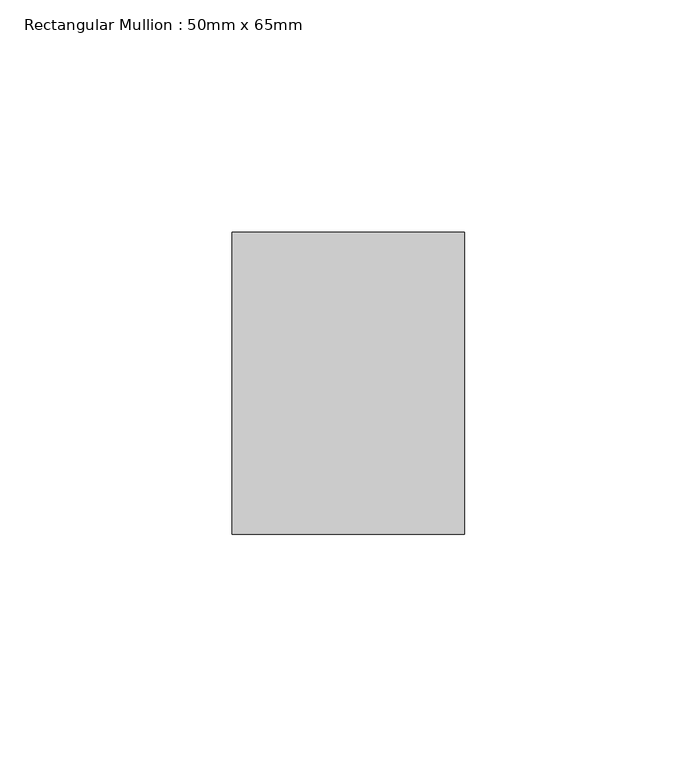
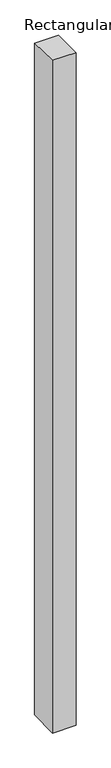
"""IFC4 building model written with IfcOpenShell, lengths in millimetres: member geometry, Rectangular Mullion : 50mm x 65mm."""

from ifc_helpers import new_model, si_unit, origin, place, context, project, spatial, faceted_brep, source, transform, mapped, element, save


def rectangular_mullion_50mm_x_65mm_f9bd9f39(model_context):
    return source(origin(), model_context, "Body", "Brep", [
        faceted_brep([(-25.0, 32.5, -0.6022165), (25.0, 32.5, -0.6022161), (25.0, 32.5, -1499.4370249), (-25.0, 32.5, -1499.4370245), (-25.0, -32.5, 0.6022161), (-25.0, -32.5, -1500.5644745), (25.0, -32.5, 0.6022165), (25.0, -32.5, -1500.5644748)], [[[0, 1, 2, 3]], [[4, 0, 3, 5]], [[6, 4, 5, 7]], [[1, 6, 7, 2]], [[1, 0, 4, 6]], [[2, 7, 5, 3]]]),
    ])


if __name__ == "__main__":
    model = new_model("IFC4")
    model_context = context("Model", 3, world=origin())
    ifc_project = project(units=[si_unit("LENGTHUNIT", "METRE", prefix="MILLI")], contexts=[model_context])
    site = spatial("IfcSite", under=ifc_project)
    building = spatial("IfcBuilding", under=site)
    placement = place(None, origin())
    rectangular_mullion_50mm_x_65mm_shape = rectangular_mullion_50mm_x_65mm_f9bd9f39(model_context)
    element("IfcMember", 1, ObjectType="Rectangular Mullion : 50mm x 65mm", at=placement, inside=building, context=model_context, shape_type="MappedRepresentation", body=[
        mapped(rectangular_mullion_50mm_x_65mm_shape, transform((0.0, 0.0, 0.0), x_axis=(1.0, 0.0, 0.0), y_axis=(0.0, 1.0, 0.0), z_axis=(0.0, 0.0, 1.0))),
    ])
    save(model, "model.ifc")
